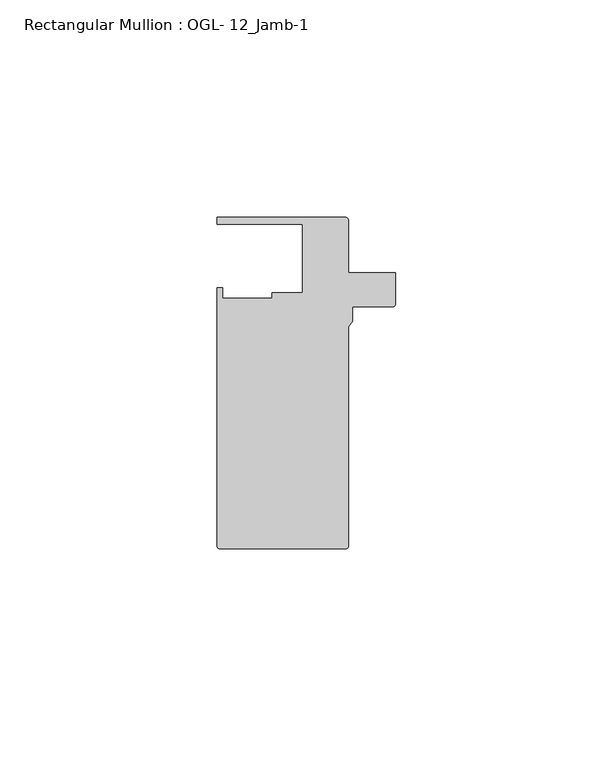
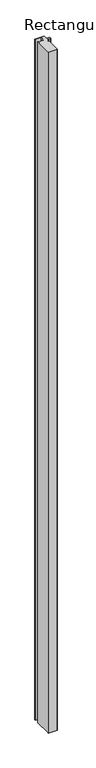
"""IFC4 building model written with IfcOpenShell, lengths in millimetres: member geometry, Rectangular Mullion : OGL- 12_Jamb-1."""

from ifc_helpers import new_model, si_unit, point, frame, frame_2d, origin, place, context, project, spatial, polyline, circle_curve, trimmed, segment, composite_curve, outline, extrude, source, transform, mapped, element, save


def rectangular_mullion_ogl_12_jamb_1_63586075(model_context):
    return source(origin(), model_context, "Body", "SweptSolid", [
        extrude(outline(composite_curve([segment(polyline([(-1.718668, 25.4), (9.1117669, 25.4), (9.1117669, 18.1560373)]), True, "CONTINUOUS"), segment(trimmed(circle_curve(frame_2d((8.5512549, 18.1560373)), 0.560512), [point((9.1117669, 18.1560373))], [point((8.5512549, 17.5955253))], False, "CARTESIAN"), True, "CONTINUOUS"), segment(polyline([(8.5512549, 17.5955253), (-0.79375, 17.5955253), (-0.79375, 14.2467814), (-1.7185838, 12.9738568), (-1.7185838, -37.5043667)]), True, "CONTINUOUS"), segment(trimmed(circle_curve(frame_2d((-2.3138963, -37.5043667)), 0.5953125), [point((-1.7185838, -37.5043667))], [point((-2.3138963, -38.0996792))], False, "CARTESIAN"), True, "CONTINUOUS"), segment(polyline([(-2.3138963, -38.0996792), (-31.2822481, -38.0996792)]), True, "CONTINUOUS"), segment(trimmed(circle_curve(frame_2d((-31.2822481, -37.5043667)), 0.5953125), [point((-31.2822481, -38.0996792))], [point((-31.8775606, -37.5043667))], False, "CARTESIAN"), True, "CONTINUOUS"), segment(polyline([(-31.8775606, -37.5043667), (-31.8775606, 21.9710976), (-30.6216313, 21.9710976), (-30.6216313, 19.4824275), (-19.2421553, 19.4824275), (-19.2421553, 20.8257348), (-12.2156802, 20.8257348), (-12.2156802, 36.512516), (-31.8684663, 36.512516), (-31.8684663, 38.100016), (-2.3139805, 38.100016)]), True, "CONTINUOUS"), segment(trimmed(circle_curve(frame_2d((-2.3139805, 37.5047035)), 0.5953125), [point((-2.3139805, 38.100016))], [point((-1.718668, 37.5047035))], False, "CARTESIAN"), True, "CONTINUOUS"), segment(polyline([(-1.718668, 37.5047035), (-1.718668, 25.4)]), True, "CONTINUOUS")], self_intersect=False)), frame((0.0, 0.0, -2375.1856086), z_axis=(0.0, 0.0, 1.0), x_axis=(1.0, 0.0, 0.0)), (0.0, 0.0, 1.0), 2375.1856086),
    ])


if __name__ == "__main__":
    model = new_model("IFC4")
    model_context = context("Model", 3, world=origin())
    ifc_project = project(units=[si_unit("LENGTHUNIT", "METRE", prefix="MILLI")], contexts=[model_context])
    site = spatial("IfcSite", under=ifc_project)
    building = spatial("IfcBuilding", under=site)
    placement = place(None, origin())
    rectangular_mullion_ogl_12_jamb_1_shape = rectangular_mullion_ogl_12_jamb_1_63586075(model_context)
    element("IfcMember", 1, ObjectType="Rectangular Mullion : OGL- 12_Jamb-1", at=placement, inside=building, context=model_context, shape_type="MappedRepresentation", body=[
        mapped(rectangular_mullion_ogl_12_jamb_1_shape, transform((0.0, 0.0, 0.0), x_axis=(1.0, 0.0, 0.0), y_axis=(0.0, 1.0, 0.0), z_axis=(0.0, 0.0, 1.0))),
    ])
    save(model, "model.ifc")
